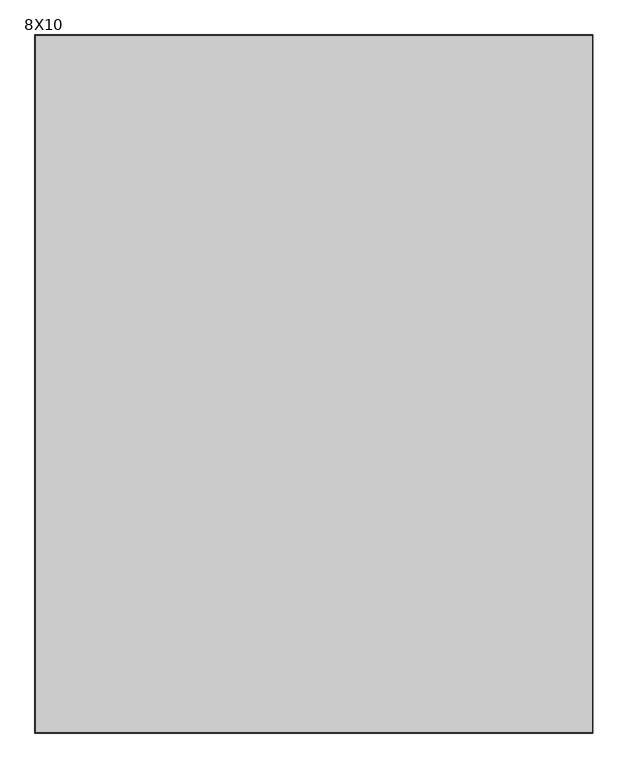
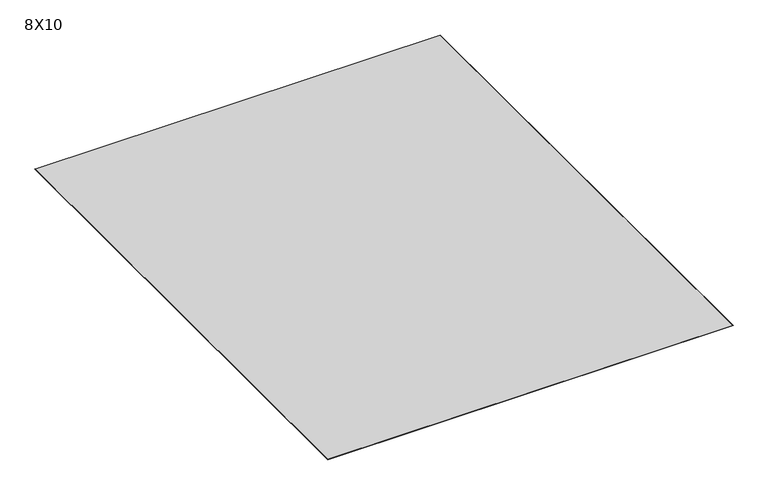
"""IFC4 building model written with IfcOpenShell, lengths in millimetres: furniture geometry, 8X10."""

from ifc_helpers import new_model, si_unit, origin, place, context, project, spatial, faceted_brep, source, transform, mapped, element, save


def furniture_8x10_612e3957(model_context):
    return source(origin(), model_context, "Body", "Brep", [
        faceted_brep([(858.0660904, 1869.7919085, 0.0), (856.8690906, 1868.5949087, 1.1969998), (856.8690906, -1177.011089, 1.1969998), (858.0660904, -1178.2080888, 0.0), (-1579.1369071, -1177.011089, 1.1969998), (-1580.3339069, -1178.2080888, 0.0), (-1579.1369071, 1868.5949087, 1.1969998), (-1580.3339069, 1869.7919085, 0.0)], [[[0, 1, 2, 3]], [[3, 2, 4, 5]], [[5, 4, 6, 7]], [[0, 3, 5, 7]], [[1, 0, 7, 6]], [[2, 1, 6, 4]]]),
    ])


if __name__ == "__main__":
    model = new_model("IFC4")
    model_context = context("Model", 3, world=origin())
    ifc_project = project(units=[si_unit("LENGTHUNIT", "METRE", prefix="MILLI")], contexts=[model_context])
    site = spatial("IfcSite", under=ifc_project)
    building = spatial("IfcBuilding", under=site)
    placement = place(None, origin())
    furniture_8x10_shape = furniture_8x10_612e3957(model_context)
    element("IfcFurniture", 1, ObjectType="8X10", at=placement, inside=building, context=model_context, shape_type="MappedRepresentation", body=[
        mapped(furniture_8x10_shape, transform((0.0, 0.0, 0.0), x_axis=(1.0, 0.0, 0.0), y_axis=(0.0, 1.0, 0.0), z_axis=(0.0, 0.0, 1.0))),
    ])
    save(model, "model.ifc")
